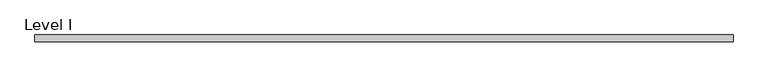
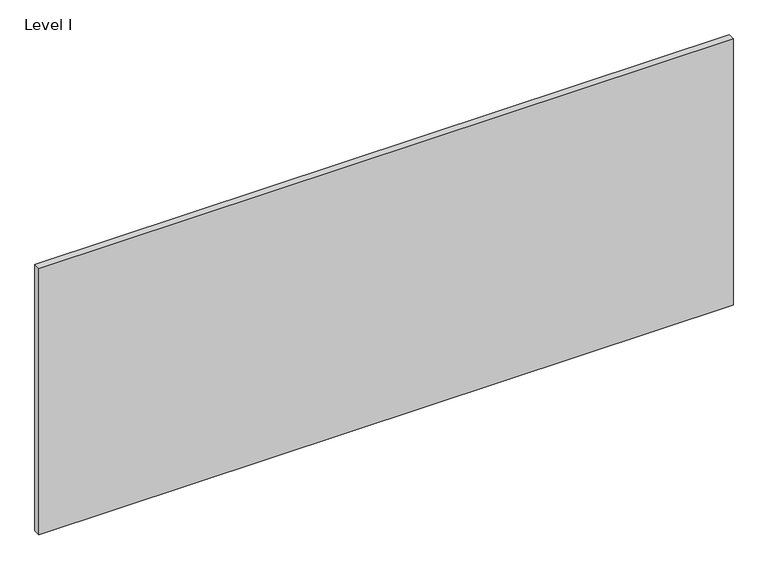
"""IFC4 building model written with IfcOpenShell, lengths in millimetres: proxy geometry, Level I."""

from ifc_helpers import new_model, si_unit, frame, origin, place, context, project, spatial, polyline, outline, extrude, source, transform, mapped, element, save


def level_i_45b542d7(model_context):
    return source(origin(), model_context, "Body", "SweptSolid", [
        extrude(outline(polyline([(998.8407125, -9.525), (-998.8407125, -9.525), (-998.8407125, 9.525), (998.8407125, 9.525), (998.8407125, -9.525)])), frame((0.0, 0.0, 3.175), z_axis=(0.0, 0.0, 1.0), x_axis=(1.0, 0.0, 0.0)), (0.0, 0.0, 1.0), 810.768),
    ])


if __name__ == "__main__":
    model = new_model("IFC4")
    model_context = context("Model", 3, world=origin())
    ifc_project = project(units=[si_unit("LENGTHUNIT", "METRE", prefix="MILLI")], contexts=[model_context])
    site = spatial("IfcSite", under=ifc_project)
    building = spatial("IfcBuilding", under=site)
    placement = place(None, origin())
    level_i_shape = level_i_45b542d7(model_context)
    element("IfcBuildingElementProxy", 1, Name="Level I", ObjectType="Level I", at=placement, inside=building, context=model_context, shape_type="MappedRepresentation", body=[
        mapped(level_i_shape, transform((0.0, 0.0, 0.0), x_axis=(1.0, 0.0, 0.0), y_axis=(0.0, 1.0, 0.0), z_axis=(0.0, 0.0, 1.0))),
    ])
    save(model, "model.ifc")
